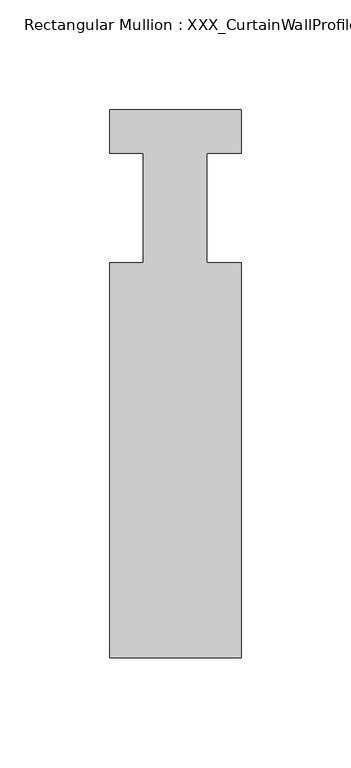
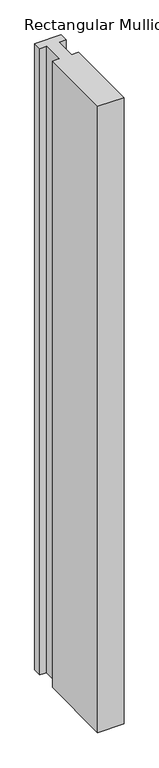
"""IFC4 building model written with IfcOpenShell, lengths in millimetres: member geometry, Rectangular Mullion : XXX_CurtainWallProfile_Ext_VerticalMullion-60x170mm."""

from ifc_helpers import new_model, si_unit, frame, origin, place, context, project, spatial, polyline, outline, extrude, source, transform, mapped, element, save


def rectangular_mullion_xxx_curtainwallprofile_ext_136d4d2e(model_context):
    return source(origin(), model_context, "Body", "SweptSolid", [
        extrude(outline(polyline([(0.0, 9.6099719), (0.0, -10.2206981), (-15.8124, -10.2206981), (-15.8124, -60.2206981), (0.0, -60.2206981), (0.0, -240.2206971), (-59.9753368, -240.2206971), (-59.9753368, -60.2206981), (-44.6625735, -60.2206981), (-44.6625735, -10.2206981), (-59.9753368, -10.2206981), (-59.9753368, 9.6099719), (0.0, 9.6099719)])), frame((0.0, 0.0, -1516.6666667), z_axis=(0.0, 0.0, 1.0), x_axis=(1.0, 0.0, 0.0)), (0.0, 0.0, 1.0), 1516.6666667),
    ])


if __name__ == "__main__":
    model = new_model("IFC4")
    model_context = context("Model", 3, world=origin())
    ifc_project = project(units=[si_unit("LENGTHUNIT", "METRE", prefix="MILLI")], contexts=[model_context])
    site = spatial("IfcSite", under=ifc_project)
    building = spatial("IfcBuilding", under=site)
    placement = place(None, origin())
    rectangular_mullion_xxx_curtainwallprofile_ext_shape = rectangular_mullion_xxx_curtainwallprofile_ext_136d4d2e(model_context)
    element("IfcMember", 1, ObjectType="Rectangular Mullion : XXX_CurtainWallProfile_Ext_VerticalMullion-60x170mm", at=placement, inside=building, context=model_context, shape_type="MappedRepresentation", body=[
        mapped(rectangular_mullion_xxx_curtainwallprofile_ext_shape, transform((0.0, 0.0, 0.0), x_axis=(1.0, 0.0, 0.0), y_axis=(0.0, 1.0, 0.0), z_axis=(0.0, 0.0, 1.0))),
    ])
    save(model, "model.ifc")
